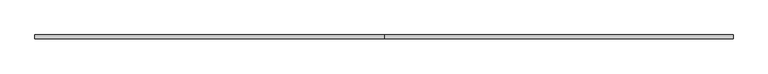
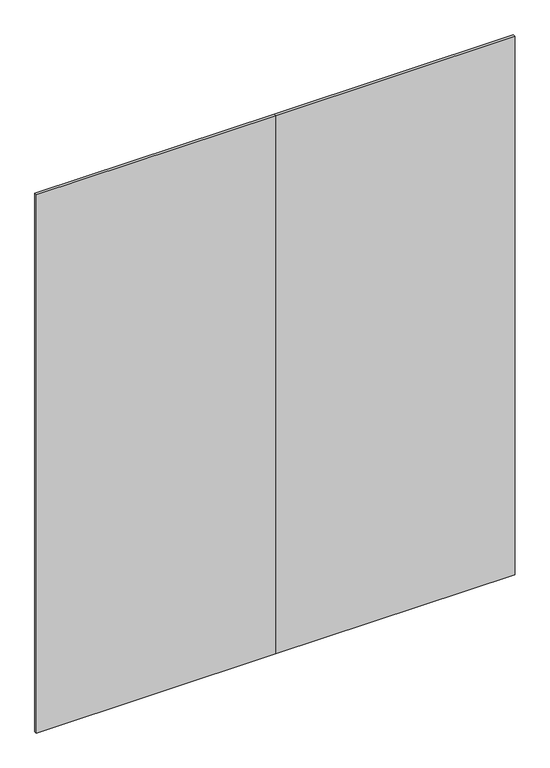
"""IFC4 building model written with IfcOpenShell, lengths in millimetres: furniture geometry."""

from ifc_helpers import new_model, si_unit, frame, origin, place, context, project, spatial, polyline, outline, extrude, source, transform, mapped, element, save


def furniture_8c43582e(model_context):
    return source(origin(), model_context, "Body", "SweptSolid", [
        extrude(outline(polyline([(0.0, -4.7752), (0.0, 4.7498), (914.4, 4.7498), (914.4, -4.7752), (0.0, -4.7752)])), frame((0.0, 0.0, 12.7), z_axis=(0.0, 0.0, 1.0), x_axis=(1.0, 0.0, 0.0)), (0.0, 0.0, 1.0), 2173.6010468),
        extrude(outline(polyline([(914.4, -4.7752), (914.4, 4.7498), (1828.8, 4.7498), (1828.8, -4.7752), (914.4, -4.7752)])), frame((0.0, 0.0, 12.7), z_axis=(0.0, 0.0, 1.0), x_axis=(1.0, 0.0, 0.0)), (0.0, 0.0, 1.0), 2173.6010468),
    ])


if __name__ == "__main__":
    model = new_model("IFC4")
    model_context = context("Model", 3, world=origin())
    ifc_project = project(units=[si_unit("LENGTHUNIT", "METRE", prefix="MILLI")], contexts=[model_context])
    site = spatial("IfcSite", under=ifc_project)
    building = spatial("IfcBuilding", under=site)
    placement = place(None, origin())
    furniture_shape = furniture_8c43582e(model_context)
    element("IfcFurniture", 1, at=placement, inside=building, context=model_context, shape_type="MappedRepresentation", body=[
        mapped(furniture_shape, transform((0.0, 0.0, 0.0), x_axis=(1.0, 0.0, 0.0), y_axis=(0.0, 1.0, 0.0), z_axis=(0.0, 0.0, 1.0))),
    ])
    save(model, "model.ifc")
